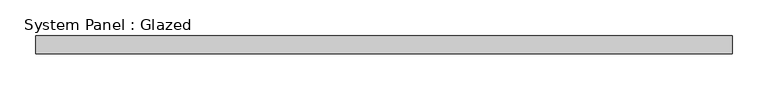
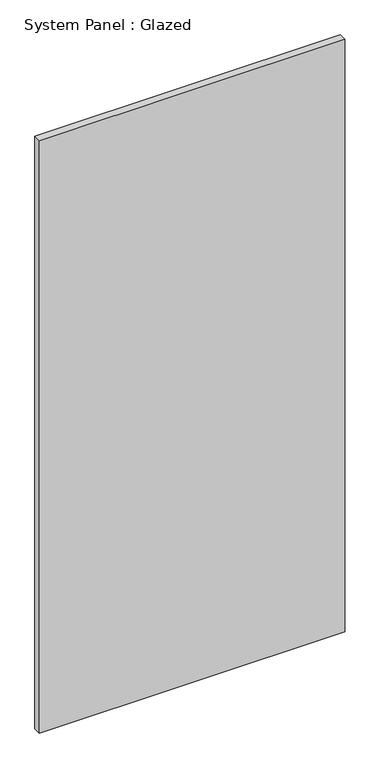
"""IFC4 building model written with IfcOpenShell, lengths in millimetres: plate geometry, System Panel : Glazed."""

from ifc_helpers import new_model, si_unit, origin, origin_with_axes, place, context, project, spatial, polyline, outline, extrude, source, transform, mapped, element, save


def system_panel_glazed_7e473c95(model_context):
    return source(origin(), model_context, "Body", "SweptSolid", [
        extrude(outline(polyline([(487.4312469, 24.5), (-487.4312469, 24.5), (-487.4312469, 49.5), (487.4312469, 49.5), (487.4312469, 24.5)])), origin_with_axes(), (0.0, 0.0, 1.0), 2000.0),
    ])


if __name__ == "__main__":
    model = new_model("IFC4")
    model_context = context("Model", 3, world=origin())
    ifc_project = project(units=[si_unit("LENGTHUNIT", "METRE", prefix="MILLI")], contexts=[model_context])
    site = spatial("IfcSite", under=ifc_project)
    building = spatial("IfcBuilding", under=site)
    placement = place(None, origin())
    system_panel_glazed_shape = system_panel_glazed_7e473c95(model_context)
    element("IfcPlate", 1, ObjectType="System Panel : Glazed", at=placement, inside=building, context=model_context, shape_type="MappedRepresentation", body=[
        mapped(system_panel_glazed_shape, transform((0.0, 0.0, 0.0), x_axis=(1.0, 0.0, 0.0), y_axis=(0.0, 1.0, 0.0), z_axis=(0.0, 0.0, 1.0))),
    ])
    save(model, "model.ifc")
